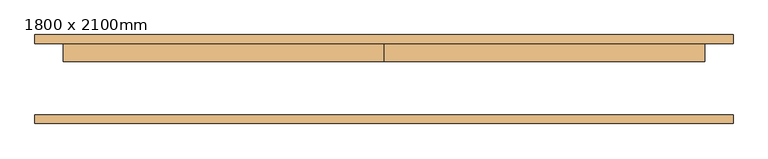
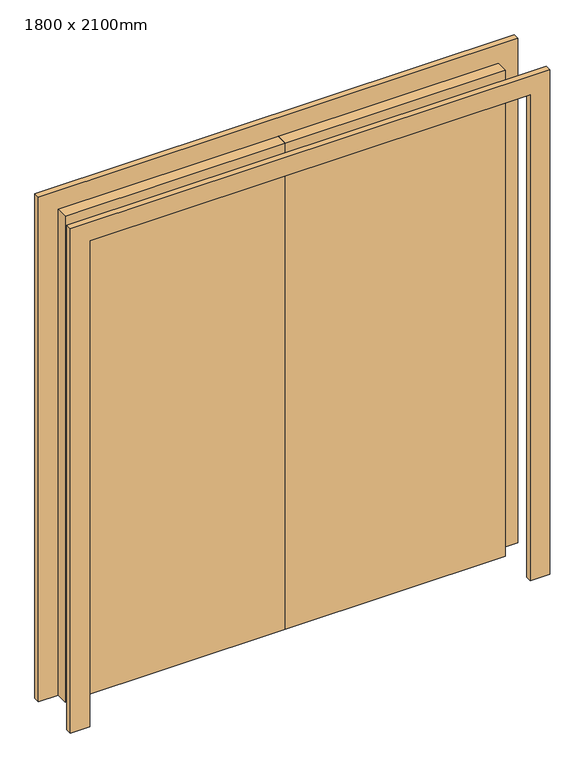
"""IFC4 building model written with IfcOpenShell, lengths in millimetres: door geometry, 1800 x 2100mm."""

from ifc_helpers import new_model, si_unit, frame, origin, origin_with_axes, place, context, project, spatial, polyline, outline, extrude, source, transform, mapped, element, save


def door_1800_x_2100mm_9435c0a4(model_context):
    return source(origin(), model_context, "Body", "SweptSolid", [
        extrude(outline(polyline([(2100.0, -900.0), (2100.0, 900.0), (0.0, 900.0), (0.0, 980.0), (2180.0, 980.0), (2180.0, -980.0), (0.0, -980.0), (0.0, -900.0), (2100.0, -900.0)])), frame((0.0, -125.0, 0.0), z_axis=(0.0, 1.0, 0.0), x_axis=(0.0, 0.0, 1.0)), (0.0, 0.0, 1.0), 25.0),
        extrude(outline(polyline([(2100.0, -900.0), (2100.0, 900.0), (0.0, 900.0), (0.0, 980.0), (2180.0, 980.0), (2180.0, -980.0), (0.0, -980.0), (0.0, -900.0), (2100.0, -900.0)])), frame((0.0, 100.0, 0.0), z_axis=(0.0, 1.0, 0.0), x_axis=(0.0, 0.0, 1.0)), (0.0, 0.0, 1.0), 25.0),
        extrude(outline(polyline([(0.0, 100.0), (900.0, 100.0), (900.0, 50.0), (0.0, 50.0), (0.0, 100.0)])), origin_with_axes(), (0.0, 0.0, 1.0), 2100.0),
        extrude(outline(polyline([(-900.0, 100.0), (0.0, 100.0), (0.0, 50.0), (-900.0, 50.0), (-900.0, 100.0)])), origin_with_axes(), (0.0, 0.0, 1.0), 2100.0),
    ])


if __name__ == "__main__":
    model = new_model("IFC4")
    model_context = context("Model", 3, world=origin())
    ifc_project = project(units=[si_unit("LENGTHUNIT", "METRE", prefix="MILLI")], contexts=[model_context])
    site = spatial("IfcSite", under=ifc_project)
    building = spatial("IfcBuilding", under=site)
    placement = place(None, origin())
    door_1800_x_2100mm_shape = door_1800_x_2100mm_9435c0a4(model_context)
    element("IfcDoor", 1, ObjectType="1800 x 2100mm", at=placement, inside=building, context=model_context, shape_type="MappedRepresentation", body=[
        mapped(door_1800_x_2100mm_shape, transform((0.0, 0.0, 0.0), x_axis=(1.0, 0.0, 0.0), y_axis=(0.0, 1.0, 0.0), z_axis=(0.0, 0.0, 1.0))),
    ])
    save(model, "model.ifc")
